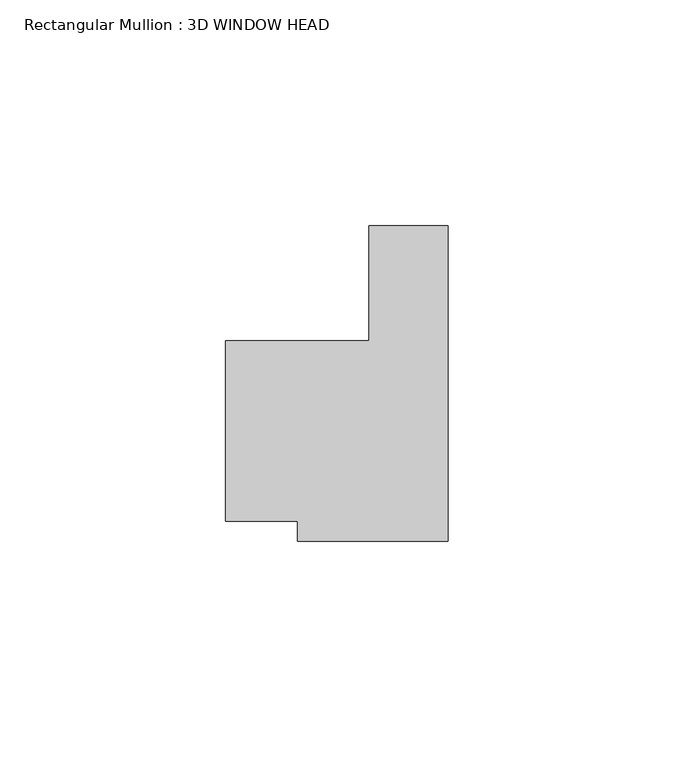
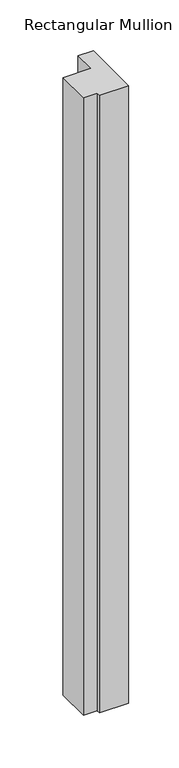
"""IFC4 building model written with IfcOpenShell, lengths in millimetres: member geometry, Rectangular Mullion : 3D WINDOW HEAD."""

from ifc_helpers import new_model, si_unit, frame, origin, place, context, project, spatial, polyline, outline, extrude, source, transform, mapped, element, save


def rectangular_mullion_3d_window_head_7aa13503(model_context):
    return source(origin(), model_context, "Body", "SweptSolid", [
        extrude(outline(polyline([(0.0, -51.5921796), (-33.3492795, -51.5921796), (-33.3492795, -47.1471796), (-49.22337, -47.1471796), (-49.22337, -7.1421796), (-17.4752, -7.1421796), (-17.4752, 18.249798), (0.0, 18.249798), (0.0, -51.5921796)])), frame((0.0, 0.0, -746.1032601), z_axis=(0.0, 0.0, 1.0), x_axis=(1.0, 0.0, 0.0)), (0.0, 0.0, 1.0), 746.1032601),
    ])


if __name__ == "__main__":
    model = new_model("IFC4")
    model_context = context("Model", 3, world=origin())
    ifc_project = project(units=[si_unit("LENGTHUNIT", "METRE", prefix="MILLI")], contexts=[model_context])
    site = spatial("IfcSite", under=ifc_project)
    building = spatial("IfcBuilding", under=site)
    placement = place(None, origin())
    rectangular_mullion_3d_window_head_shape = rectangular_mullion_3d_window_head_7aa13503(model_context)
    element("IfcMember", 1, ObjectType="Rectangular Mullion : 3D WINDOW HEAD", at=placement, inside=building, context=model_context, shape_type="MappedRepresentation", body=[
        mapped(rectangular_mullion_3d_window_head_shape, transform((0.0, 0.0, 0.0), x_axis=(1.0, 0.0, 0.0), y_axis=(0.0, 1.0, 0.0), z_axis=(0.0, 0.0, 1.0))),
    ])
    save(model, "model.ifc")
